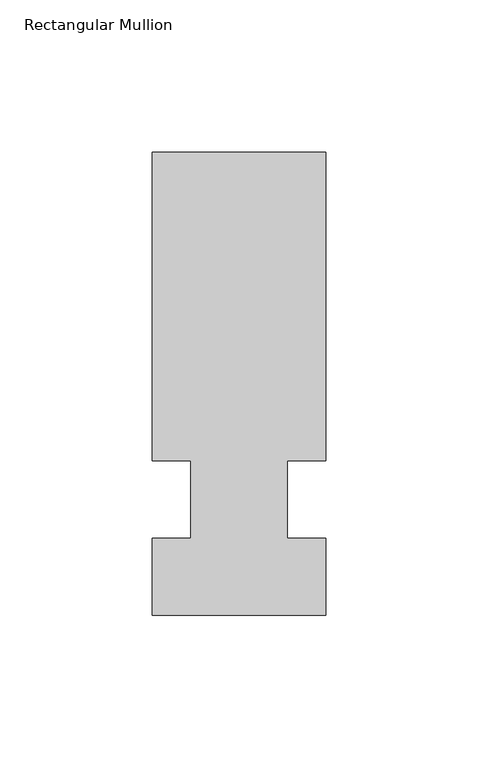
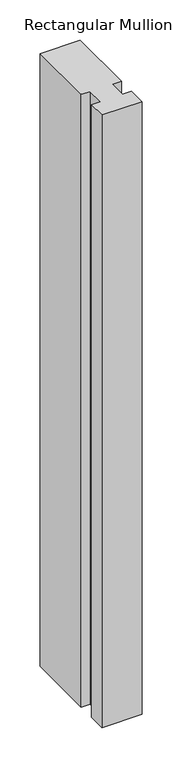
"""IFC4 building model written with IfcOpenShell, lengths in millimetres: member geometry, Rectangular Mullion."""

from ifc_helpers import new_model, si_unit, frame, origin, place, context, project, spatial, polyline, outline, extrude, source, transform, mapped, element, save


def rectangular_mullion_04170851(model_context):
    return source(origin(), model_context, "Body", "SweptSolid", [
        extrude(outline(polyline([(32.9094027, 114.3), (32.9094027, 12.7), (20.2076322, 12.7), (20.2076322, -12.7), (32.9094027, -12.7), (32.9094027, -38.1), (-24.2405973, -38.1), (-24.2405973, -12.7), (-11.5405973, -12.7), (-11.5405973, 12.7), (-24.2405973, 12.7), (-24.2405973, 114.3), (32.9094027, 114.3)])), frame((0.0, 0.0, -925.0844027), z_axis=(0.0, 0.0, 1.0), x_axis=(1.0, 0.0, 0.0)), (0.0, 0.0, 1.0), 925.0844027),
    ])


if __name__ == "__main__":
    model = new_model("IFC4")
    model_context = context("Model", 3, world=origin())
    ifc_project = project(units=[si_unit("LENGTHUNIT", "METRE", prefix="MILLI")], contexts=[model_context])
    site = spatial("IfcSite", under=ifc_project)
    building = spatial("IfcBuilding", under=site)
    placement = place(None, origin())
    rectangular_mullion_shape = rectangular_mullion_04170851(model_context)
    element("IfcMember", 1, ObjectType="Rectangular Mullion", at=placement, inside=building, context=model_context, shape_type="MappedRepresentation", body=[
        mapped(rectangular_mullion_shape, transform((0.0, 0.0, 0.0), x_axis=(1.0, 0.0, 0.0), y_axis=(0.0, 1.0, 0.0), z_axis=(0.0, 0.0, 1.0))),
    ])
    save(model, "model.ifc")
